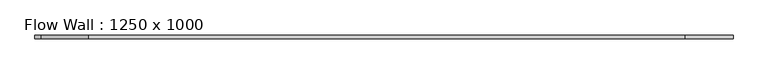
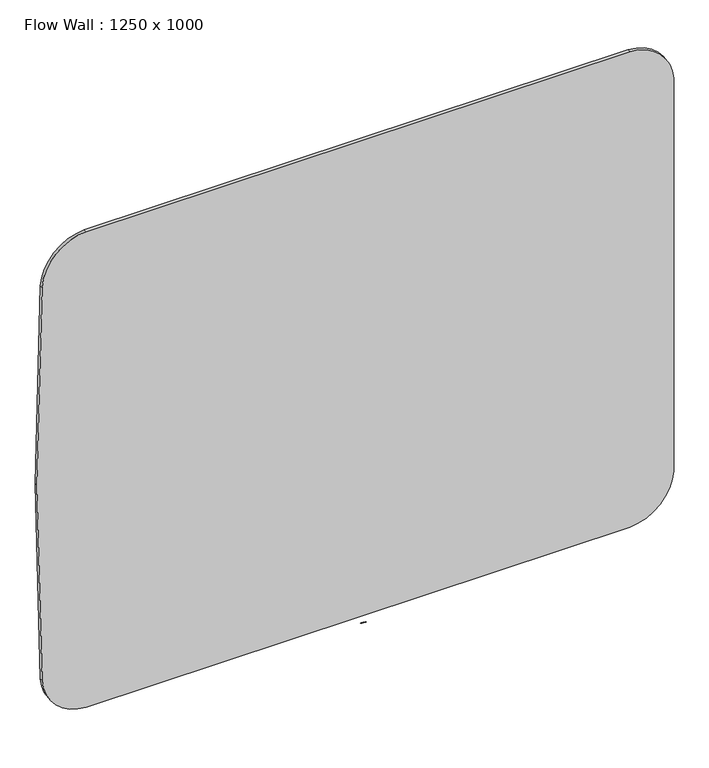
"""IFC4 building model written with IfcOpenShell, lengths in millimetres: furniture geometry, Flow Wall : 1250 x 1000."""

from ifc_helpers import new_model, si_unit, point, frame, frame_2d, origin, place, context, project, spatial, circle_curve, trimmed, segment, composite_curve, outline, extrude, source, transform, mapped, element, save


def flow_wall_1250_x_1000_13cf6640(model_context):
    return source(origin(), model_context, "Body", "SweptSolid", [
        extrude(outline(composite_curve([segment(trimmed(circle_curve(frame_2d((-10497.6206865, 0.0)), 11500.0), [point((990.2161128, 528.777526))], [point((990.2161128, -528.777526))], False, "CARTESIAN"), True, "CONTINUOUS"), segment(trimmed(circle_curve(frame_2d((900.3113031, -524.6392671)), 90.0), [point((990.2161128, -528.777526))], [point((904.8525102, -614.5246243))], False, "CARTESIAN"), True, "CONTINUOUS"), segment(trimmed(circle_curve(frame_2d((501.1896567, 7375.2849041)), 8000.0), [point((904.8525102, -614.5246243))], [point((501.1896567, -624.7150959))], False, "CARTESIAN"), True, "CONTINUOUS"), segment(trimmed(circle_curve(frame_2d((501.1896567, 7375.2849041)), 8000.0), [point((501.1896567, -624.7150959))], [point((97.5268033, -614.5246243))], False, "CARTESIAN"), True, "CONTINUOUS"), segment(trimmed(circle_curve(frame_2d((102.0680104, -524.6392671)), 90.0), [point((97.5268033, -614.5246243))], [point((12.1632007, -528.777526))], False, "CARTESIAN"), True, "CONTINUOUS"), segment(trimmed(circle_curve(frame_2d((11500.0, 0.0)), 11500.0), [point((12.1632007, -528.777526))], [point((12.1632007, 528.777526))], False, "CARTESIAN"), True, "CONTINUOUS"), segment(trimmed(circle_curve(frame_2d((102.0680104, 524.6392671)), 90.0), [point((12.1632007, 528.777526))], [point((97.5268033, 614.5246243))], False, "CARTESIAN"), True, "CONTINUOUS"), segment(trimmed(circle_curve(frame_2d((501.1896567, -7375.2849041)), 8000.0), [point((97.5268033, 614.5246243))], [point((904.8525102, 614.5246243))], False, "CARTESIAN"), True, "CONTINUOUS"), segment(trimmed(circle_curve(frame_2d((900.3113031, 524.6392671)), 90.0), [point((904.8525102, 614.5246243))], [point((990.2161128, 528.777526))], False, "CARTESIAN"), True, "CONTINUOUS")], self_intersect=False)), frame((0.0, -6.0, 0.0), z_axis=(0.0, 1.0, 0.0), x_axis=(0.0, 0.0, 1.0)), (0.0, 0.0, 1.0), 6.0),
        extrude(outline(composite_curve([segment(trimmed(circle_curve(frame_2d((17.8140378, -29.8743533)), 30.0), [point((16.9116166, 0.1120708))], [point((18.7164591, 0.1120708))], False, "CARTESIAN"), True, "CONTINUOUS"), segment(trimmed(circle_curve(frame_2d((18.713763, 0.022123)), 0.0899883), [point((18.7164591, 0.1120708))], [point((18.803638, 0.0266359))], False, "CARTESIAN"), True, "CONTINUOUS"), segment(trimmed(circle_curve(frame_2d((10.8137529, -0.3755281)), 8.0), [point((18.803638, 0.0266359))], [point((18.803638, -0.7776922))], False, "CARTESIAN"), True, "CONTINUOUS"), segment(trimmed(circle_curve(frame_2d((18.713763, -0.7731792)), 0.0899883), [point((18.803638, -0.7776922))], [point((18.7164591, -0.8631271))], False, "CARTESIAN"), True, "CONTINUOUS"), segment(trimmed(circle_curve(frame_2d((17.8140378, 29.1232971)), 30.0), [point((18.7164591, -0.8631271))], [point((16.9116166, -0.8631271))], False, "CARTESIAN"), True, "CONTINUOUS"), segment(trimmed(circle_curve(frame_2d((16.9143126, -0.7731792)), 0.0899883), [point((16.9116166, -0.8631271))], [point((16.8244376, -0.7776922))], False, "CARTESIAN"), True, "CONTINUOUS"), segment(trimmed(circle_curve(frame_2d((24.8143227, -0.3755281)), 8.0), [point((16.8244376, -0.7776922))], [point((16.8143227, -0.3755281))], False, "CARTESIAN"), True, "CONTINUOUS"), segment(trimmed(circle_curve(frame_2d((24.8143227, -0.3755281)), 8.0), [point((16.8143227, -0.3755281))], [point((16.8244376, 0.0266359))], False, "CARTESIAN"), True, "CONTINUOUS"), segment(trimmed(circle_curve(frame_2d((16.9143126, 0.022123)), 0.0899883), [point((16.8244376, 0.0266359))], [point((16.9116166, 0.1120708))], False, "CARTESIAN"), True, "CONTINUOUS")], self_intersect=False)), frame((0.0, 0.0, -7.4147222), z_axis=(0.0, 0.0, 1.0), x_axis=(1.0, 0.0, 0.0)), (0.0, 0.0, 1.0), 0.006),
        extrude(outline(composite_curve([segment(trimmed(circle_curve(frame_2d((14.8989791, -14.1960751)), 15.0), [point((14.2454051, 0.7896795))], [point((15.5525531, 0.7896795))], False, "CARTESIAN"), True, "CONTINUOUS"), segment(trimmed(circle_curve(frame_2d((15.5486316, 0.699765)), 0.09), [point((15.5525531, 0.7896795))], [point((15.6385171, 0.7043032))], False, "CARTESIAN"), True, "CONTINUOUS"), segment(trimmed(circle_curve(frame_2d((7.6486942, 0.3009066)), 8.0), [point((15.6385171, 0.7043032))], [point((15.6385171, -0.10249))], False, "CARTESIAN"), True, "CONTINUOUS"), segment(trimmed(circle_curve(frame_2d((15.5486316, -0.0979518)), 0.09), [point((15.6385171, -0.10249))], [point((15.5525531, -0.1878663))], False, "CARTESIAN"), True, "CONTINUOUS"), segment(trimmed(circle_curve(frame_2d((14.8989791, 14.7978883)), 15.0), [point((15.5525531, -0.1878663))], [point((14.2454051, -0.1878663))], False, "CARTESIAN"), True, "CONTINUOUS"), segment(trimmed(circle_curve(frame_2d((14.2493265, -0.0979518)), 0.09), [point((14.2454051, -0.1878663))], [point((14.159441, -0.10249))], False, "CARTESIAN"), True, "CONTINUOUS"), segment(trimmed(circle_curve(frame_2d((22.149264, 0.3009066)), 8.0), [point((14.159441, -0.10249))], [point((14.149264, 0.3009066))], False, "CARTESIAN"), True, "CONTINUOUS"), segment(trimmed(circle_curve(frame_2d((22.149264, 0.3009066)), 8.0), [point((14.149264, 0.3009066))], [point((14.159441, 0.7043032))], False, "CARTESIAN"), True, "CONTINUOUS"), segment(trimmed(circle_curve(frame_2d((14.2493265, 0.699765)), 0.09), [point((14.159441, 0.7043032))], [point((14.2454051, 0.7896795))], False, "CARTESIAN"), True, "CONTINUOUS")], self_intersect=False)), frame((0.0, 0.0, -7.4147222), z_axis=(0.0, 0.0, 1.0), x_axis=(1.0, 0.0, 0.0)), (0.0, 0.0, 1.0), 0.006),
        extrude(outline(composite_curve([segment(trimmed(circle_curve(frame_2d((13.2344979, -10.6292964)), 11.5), [point((12.7057204, 0.8585404))], [point((13.7632754, 0.8585404))], False, "CARTESIAN"), True, "CONTINUOUS"), segment(trimmed(circle_curve(frame_2d((13.7591372, 0.7686356)), 0.09), [point((13.7632754, 0.8585404))], [point((13.8490225, 0.7731768))], False, "CARTESIAN"), True, "CONTINUOUS"), segment(trimmed(circle_curve(frame_2d((5.859213, 0.369514)), 8.0), [point((13.8490225, 0.7731768))], [point((13.8490225, -0.0341489))], False, "CARTESIAN"), True, "CONTINUOUS"), segment(trimmed(circle_curve(frame_2d((13.7591372, -0.0296077)), 0.09), [point((13.8490225, -0.0341489))], [point((13.7632754, -0.1195125))], False, "CARTESIAN"), True, "CONTINUOUS"), segment(trimmed(circle_curve(frame_2d((13.2344979, 11.3683243)), 11.5), [point((13.7632754, -0.1195125))], [point((12.7057204, -0.1195125))], False, "CARTESIAN"), True, "CONTINUOUS"), segment(trimmed(circle_curve(frame_2d((12.7098586, -0.0296077)), 0.09), [point((12.7057204, -0.1195125))], [point((12.6199733, -0.0341489))], False, "CARTESIAN"), True, "CONTINUOUS"), segment(trimmed(circle_curve(frame_2d((20.6097828, 0.369514)), 8.0), [point((12.6199733, -0.0341489))], [point((12.6097828, 0.369514))], False, "CARTESIAN"), True, "CONTINUOUS"), segment(trimmed(circle_curve(frame_2d((20.6097828, 0.369514)), 8.0), [point((12.6097828, 0.369514))], [point((12.6199733, 0.7731768))], False, "CARTESIAN"), True, "CONTINUOUS"), segment(trimmed(circle_curve(frame_2d((12.7098586, 0.7686356)), 0.09), [point((12.6199733, 0.7731768))], [point((12.7057204, 0.8585404))], False, "CARTESIAN"), True, "CONTINUOUS")], self_intersect=False)), frame((0.0, 0.0, -7.4147222), z_axis=(0.0, 0.0, 1.0), x_axis=(1.0, 0.0, 0.0)), (0.0, 0.0, 1.0), 0.006),
        extrude(outline(composite_curve([segment(trimmed(circle_curve(frame_2d((11.880102, -7.1379444)), 8.0), [point((11.4759408, 0.85184))], [point((12.2842632, 0.85184))], False, "CARTESIAN"), True, "CONTINUOUS"), segment(trimmed(circle_curve(frame_2d((12.2797164, 0.7619549)), 0.09), [point((12.2842632, 0.85184))], [point((12.3696014, 0.7665017))], False, "CARTESIAN"), True, "CONTINUOUS"), segment(trimmed(circle_curve(frame_2d((4.3798171, 0.3623405)), 8.0), [point((12.3696014, 0.7665017))], [point((12.3696014, -0.0418206))], False, "CARTESIAN"), True, "CONTINUOUS"), segment(trimmed(circle_curve(frame_2d((12.2797164, -0.0372738)), 0.09), [point((12.3696014, -0.0418206))], [point((12.2842632, -0.1271589))], False, "CARTESIAN"), True, "CONTINUOUS"), segment(trimmed(circle_curve(frame_2d((11.880102, 7.8626254)), 8.0), [point((12.2842632, -0.1271589))], [point((11.4759408, -0.1271589))], False, "CARTESIAN"), True, "CONTINUOUS"), segment(trimmed(circle_curve(frame_2d((11.4804876, -0.0372738)), 0.09), [point((11.4759408, -0.1271589))], [point((11.3906026, -0.0418206))], False, "CARTESIAN"), True, "CONTINUOUS"), segment(trimmed(circle_curve(frame_2d((19.3803869, 0.3623405)), 8.0), [point((11.3906026, -0.0418206))], [point((11.3803869, 0.3623405))], False, "CARTESIAN"), True, "CONTINUOUS"), segment(trimmed(circle_curve(frame_2d((19.3803869, 0.3623405)), 8.0), [point((11.3803869, 0.3623405))], [point((11.3906026, 0.7665017))], False, "CARTESIAN"), True, "CONTINUOUS"), segment(trimmed(circle_curve(frame_2d((11.4804876, 0.7619549)), 0.09), [point((11.3906026, 0.7665017))], [point((11.4759408, 0.85184))], False, "CARTESIAN"), True, "CONTINUOUS")], self_intersect=False)), frame((0.0, 0.0, -7.4147222), z_axis=(0.0, 0.0, 1.0), x_axis=(1.0, 0.0, 0.0)), (0.0, 0.0, 1.0), 0.006),
        extrude(outline(composite_curve([segment(trimmed(circle_curve(frame_2d((10.7219096, -5.1332795)), 6.0), [point((10.4208166, 0.859161))], [point((11.0230025, 0.859161))], False, "CARTESIAN"), True, "CONTINUOUS"), segment(trimmed(circle_curve(frame_2d((11.0194898, 0.7892492)), 0.07), [point((11.0230025, 0.859161))], [point((11.0894016, 0.792762))], False, "CARTESIAN"), True, "CONTINUOUS"), segment(trimmed(circle_curve(frame_2d((5.0969611, 0.491669)), 6.0), [point((11.0894016, 0.792762))], [point((11.0894016, 0.1905761))], False, "CARTESIAN"), True, "CONTINUOUS"), segment(trimmed(circle_curve(frame_2d((11.0194898, 0.1940888)), 0.07), [point((11.0894016, 0.1905761))], [point((11.0230025, 0.124177))], False, "CARTESIAN"), True, "CONTINUOUS"), segment(trimmed(circle_curve(frame_2d((10.7219096, 6.1166175)), 6.0), [point((11.0230025, 0.124177))], [point((10.4208166, 0.124177))], False, "CARTESIAN"), True, "CONTINUOUS"), segment(trimmed(circle_curve(frame_2d((10.4243294, 0.1940888)), 0.07), [point((10.4208166, 0.124177))], [point((10.3544176, 0.1905761))], False, "CARTESIAN"), True, "CONTINUOUS"), segment(trimmed(circle_curve(frame_2d((16.346858, 0.491669)), 6.0), [point((10.3544176, 0.1905761))], [point((10.346858, 0.491669))], False, "CARTESIAN"), True, "CONTINUOUS"), segment(trimmed(circle_curve(frame_2d((16.346858, 0.491669)), 6.0), [point((10.346858, 0.491669))], [point((10.3544176, 0.792762))], False, "CARTESIAN"), True, "CONTINUOUS"), segment(trimmed(circle_curve(frame_2d((10.4243294, 0.7892492)), 0.07), [point((10.3544176, 0.792762))], [point((10.4208166, 0.859161))], False, "CARTESIAN"), True, "CONTINUOUS")], self_intersect=False)), frame((0.0, 0.0, -7.4147222), z_axis=(0.0, 0.0, 1.0), x_axis=(1.0, 0.0, 0.0)), (0.0, 0.0, 1.0), 0.006),
        extrude(outline(composite_curve([segment(trimmed(circle_curve(frame_2d((9.4837532, -3.2756697)), 4.0), [point((9.286245, 0.7194511))], [point((9.6812614, 0.7194511))], False, "CARTESIAN"), True, "CONTINUOUS"), segment(trimmed(circle_curve(frame_2d((9.6787926, 0.6695121)), 0.05), [point((9.6812614, 0.7194511))], [point((9.7287316, 0.6719809))], False, "CARTESIAN"), True, "CONTINUOUS"), segment(trimmed(circle_curve(frame_2d((5.7336107, 0.4744727)), 4.0), [point((9.7287316, 0.6719809))], [point((9.7287316, 0.2769645))], False, "CARTESIAN"), True, "CONTINUOUS"), segment(trimmed(circle_curve(frame_2d((9.6787926, 0.2794333)), 0.05), [point((9.7287316, 0.2769645))], [point((9.6812614, 0.2294943))], False, "CARTESIAN"), True, "CONTINUOUS"), segment(trimmed(circle_curve(frame_2d((9.4837532, 4.2246152)), 4.0), [point((9.6812614, 0.2294943))], [point((9.286245, 0.2294943))], False, "CARTESIAN"), True, "CONTINUOUS"), segment(trimmed(circle_curve(frame_2d((9.2887138, 0.2794333)), 0.05), [point((9.286245, 0.2294943))], [point((9.2387748, 0.2769645))], False, "CARTESIAN"), True, "CONTINUOUS"), segment(trimmed(circle_curve(frame_2d((13.2338956, 0.4744727)), 4.0), [point((9.2387748, 0.2769645))], [point((9.2338956, 0.4744727))], False, "CARTESIAN"), True, "CONTINUOUS"), segment(trimmed(circle_curve(frame_2d((13.2338956, 0.4744727)), 4.0), [point((9.2338956, 0.4744727))], [point((9.2387748, 0.6719809))], False, "CARTESIAN"), True, "CONTINUOUS"), segment(trimmed(circle_curve(frame_2d((9.2887138, 0.6695121)), 0.05), [point((9.2387748, 0.6719809))], [point((9.286245, 0.7194511))], False, "CARTESIAN"), True, "CONTINUOUS")], self_intersect=False)), frame((0.0, 0.0, -7.4147222), z_axis=(0.0, 0.0, 1.0), x_axis=(1.0, 0.0, 0.0)), (0.0, 0.0, 1.0), 0.006),
        extrude(outline(composite_curve([segment(trimmed(circle_curve(frame_2d((8.6540231, -2.2771172)), 2.7), [point((8.5348244, 0.4202503))], [point((8.7732217, 0.4202503))], False, "CARTESIAN"), True, "CONTINUOUS"), segment(trimmed(circle_curve(frame_2d((8.7718973, 0.3902796)), 0.03), [point((8.7732217, 0.4202503))], [point((8.8018681, 0.391604))], False, "CARTESIAN"), True, "CONTINUOUS"), segment(trimmed(circle_curve(frame_2d((6.1045005, 0.2724054)), 2.7), [point((8.8018681, 0.391604))], [point((8.8018681, 0.1532067))], False, "CARTESIAN"), True, "CONTINUOUS"), segment(trimmed(circle_curve(frame_2d((8.7718973, 0.1545311)), 0.03), [point((8.8018681, 0.1532067))], [point((8.7732217, 0.1245604))], False, "CARTESIAN"), True, "CONTINUOUS"), segment(trimmed(circle_curve(frame_2d((8.6540231, 2.8219279)), 2.7), [point((8.7732217, 0.1245604))], [point((8.5348244, 0.1245604))], False, "CARTESIAN"), True, "CONTINUOUS"), segment(trimmed(circle_curve(frame_2d((8.5361489, 0.1545311)), 0.03), [point((8.5348244, 0.1245604))], [point((8.5061781, 0.1532067))], False, "CARTESIAN"), True, "CONTINUOUS"), segment(trimmed(circle_curve(frame_2d((11.2035457, 0.2724054)), 2.7), [point((8.5061781, 0.1532067))], [point((8.5035457, 0.2724054))], False, "CARTESIAN"), True, "CONTINUOUS"), segment(trimmed(circle_curve(frame_2d((11.2035457, 0.2724054)), 2.7), [point((8.5035457, 0.2724054))], [point((8.5061781, 0.391604))], False, "CARTESIAN"), True, "CONTINUOUS"), segment(trimmed(circle_curve(frame_2d((8.5361489, 0.3902796)), 0.03), [point((8.5061781, 0.391604))], [point((8.5348244, 0.4202503))], False, "CARTESIAN"), True, "CONTINUOUS")], self_intersect=False)), frame((0.0, 0.0, -7.4147222), z_axis=(0.0, 0.0, 1.0), x_axis=(1.0, 0.0, 0.0)), (0.0, 0.0, 1.0), 0.006),
    ])


if __name__ == "__main__":
    model = new_model("IFC4")
    model_context = context("Model", 3, world=origin())
    ifc_project = project(units=[si_unit("LENGTHUNIT", "METRE", prefix="MILLI")], contexts=[model_context])
    site = spatial("IfcSite", under=ifc_project)
    building = spatial("IfcBuilding", under=site)
    placement = place(None, origin())
    flow_wall_1250_x_1000_shape = flow_wall_1250_x_1000_13cf6640(model_context)
    element("IfcFurniture", 1, ObjectType="Flow Wall : 1250 x 1000", at=placement, inside=building, context=model_context, shape_type="MappedRepresentation", body=[
        mapped(flow_wall_1250_x_1000_shape, transform((0.0, 0.0, 0.0), x_axis=(1.0, 0.0, 0.0), y_axis=(0.0, 1.0, 0.0), z_axis=(0.0, 0.0, 1.0))),
    ])
    save(model, "model.ifc")
